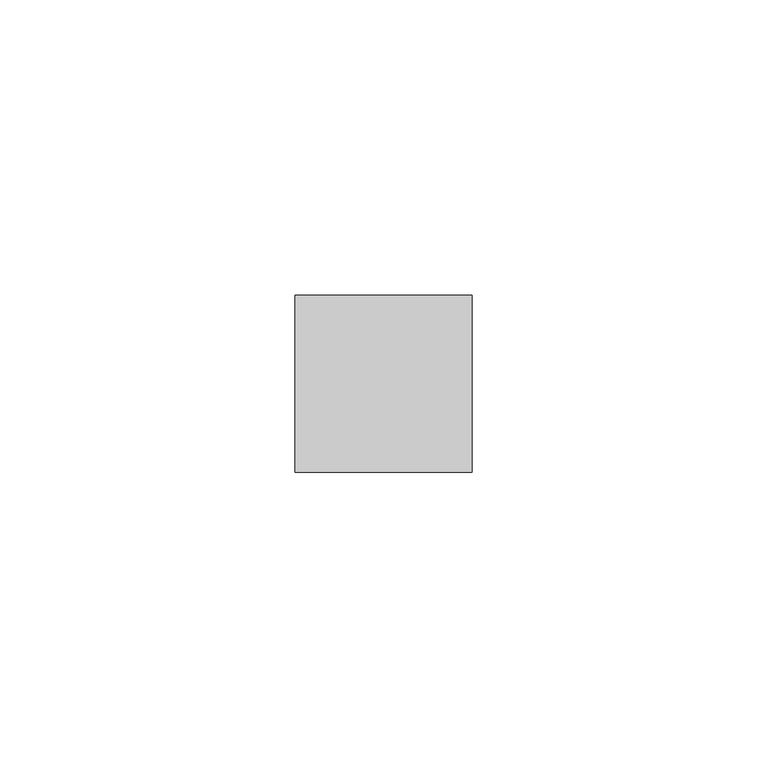
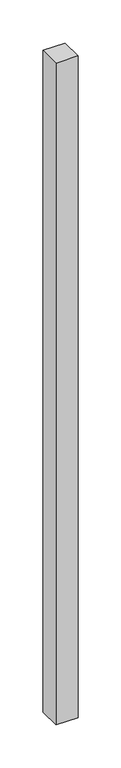
"""IFC4 building model written with IfcOpenShell, lengths in millimetres: member geometry."""

from ifc_helpers import new_model, si_unit, frame, origin, place, context, project, spatial, polyline, outline, extrude, source, transform, mapped, element, save


def member_915b1ece(model_context):
    return source(origin(), model_context, "Body", "SweptSolid", [
        extrude(outline(polyline([(15.0, 15.0), (15.0, -15.0), (-15.0, -15.0), (-15.0, 15.0), (15.0, 15.0)])), frame((0.0, 0.0, -937.3125), z_axis=(0.0, 0.0, 1.0), x_axis=(1.0, 0.0, 0.0)), (0.0, 0.0, 1.0), 937.3125),
    ])


if __name__ == "__main__":
    model = new_model("IFC4")
    model_context = context("Model", 3, world=origin())
    ifc_project = project(units=[si_unit("LENGTHUNIT", "METRE", prefix="MILLI")], contexts=[model_context])
    site = spatial("IfcSite", under=ifc_project)
    building = spatial("IfcBuilding", under=site)
    placement = place(None, origin())
    member_shape = member_915b1ece(model_context)
    element("IfcMember", 1, at=placement, inside=building, context=model_context, shape_type="MappedRepresentation", body=[
        mapped(member_shape, transform((0.0, 0.0, 0.0), x_axis=(1.0, 0.0, 0.0), y_axis=(0.0, 1.0, 0.0), z_axis=(0.0, 0.0, 1.0))),
    ])
    save(model, "model.ifc")
